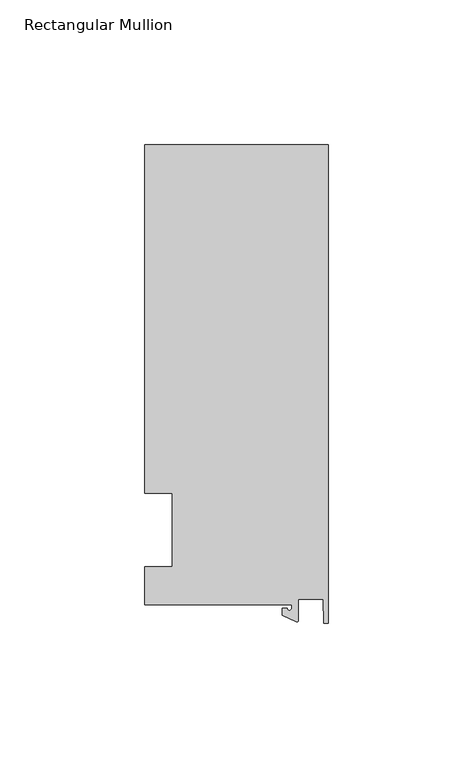
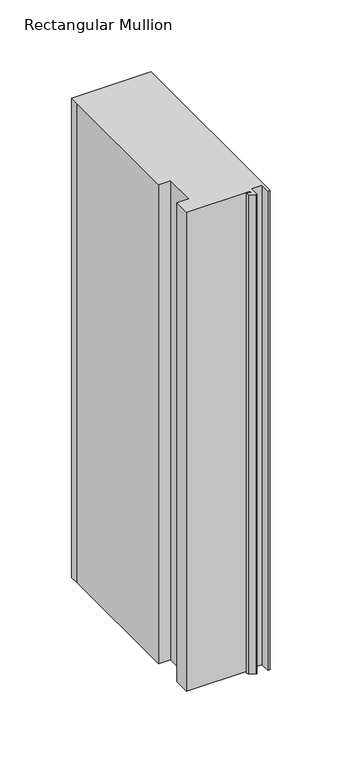
"""IFC4 building model written with IfcOpenShell, lengths in millimetres: member geometry, Rectangular Mullion."""

from ifc_helpers import new_model, si_unit, point, frame, frame_2d, origin, place, context, project, spatial, polyline, circle_curve, trimmed, segment, composite_curve, outline, extrude, source, transform, mapped, element, save


def rectangular_mullion_72293aba(model_context):
    return source(origin(), model_context, "Body", "SweptSolid", [
        extrude(outline(composite_curve([segment(polyline([(-12.6173814, -25.796875), (-63.5, -25.796875), (-63.5, -12.7), (-53.975, -12.7), (-53.975, 12.7), (-63.5, 12.7), (-63.5, 125.8114907), (-63.5, 133.34365), (0.0, 133.34365), (0.0, -32.288874), (-1.5658966, -32.288874), (-1.7144124, -23.9227662), (-10.2297814, -23.9227662), (-10.2297814, -31.2414327)]), True, "CONTINUOUS"), segment(trimmed(circle_curve(frame_2d((-10.7377814, -31.2414327)), 0.508), [point((-10.2297814, -31.2414327))], [point((-10.9524715, -31.7018371))], False, "CARTESIAN"), True, "CONTINUOUS"), segment(polyline([(-10.9524715, -31.7018371), (-15.7923814, -29.44495), (-15.7923814, -27.0827507), (-14.2048814, -27.0827507)]), True, "CONTINUOUS"), segment(trimmed(circle_curve(frame_2d((-13.4111314, -27.0827507)), 0.79375), [point((-14.2048814, -27.0827507))], [point((-12.6173814, -27.0827507))], True, "CARTESIAN"), True, "CONTINUOUS"), segment(polyline([(-12.6173814, -27.0827507), (-12.6173814, -25.796875)]), True, "CONTINUOUS")], self_intersect=False)), frame((0.0, 0.0, -406.4), z_axis=(0.0, 0.0, 1.0), x_axis=(1.0, 0.0, 0.0)), (0.0, 0.0, 1.0), 406.4),
    ])


if __name__ == "__main__":
    model = new_model("IFC4")
    model_context = context("Model", 3, world=origin())
    ifc_project = project(units=[si_unit("LENGTHUNIT", "METRE", prefix="MILLI")], contexts=[model_context])
    site = spatial("IfcSite", under=ifc_project)
    building = spatial("IfcBuilding", under=site)
    placement = place(None, origin())
    rectangular_mullion_shape = rectangular_mullion_72293aba(model_context)
    element("IfcMember", 1, ObjectType="Rectangular Mullion", at=placement, inside=building, context=model_context, shape_type="MappedRepresentation", body=[
        mapped(rectangular_mullion_shape, transform((0.0, 0.0, 0.0), x_axis=(1.0, 0.0, 0.0), y_axis=(0.0, 1.0, 0.0), z_axis=(0.0, 0.0, 1.0))),
    ])
    save(model, "model.ifc")
